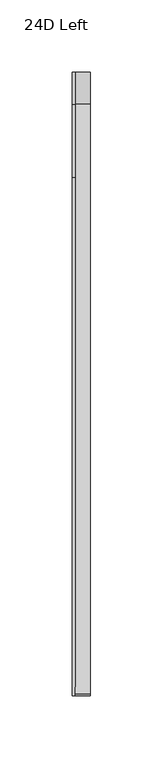
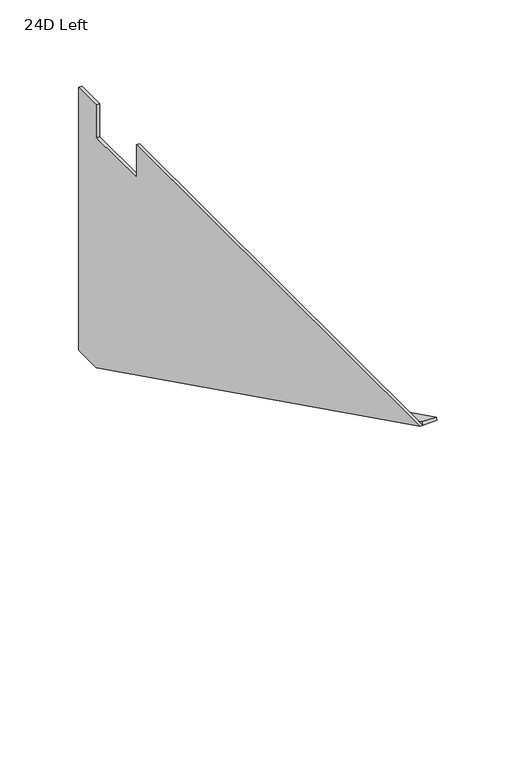
"""IFC4 building model written with IfcOpenShell, lengths in millimetres: furniture geometry, 24D Left."""

from ifc_helpers import new_model, si_unit, frame, origin, place, context, project, spatial, polyline, outline, extrude, source, transform, mapped, element, save


def furniture_24d_left_b5db5c6d(model_context):
    return source(origin(), model_context, "Body", "SweptSolid", [
        extrude(outline(polyline([(254.0, 734.1235), (254.0, 731.8375), (231.775, 731.8375), (-178.0807823, 935.0375), (-177.0653655, 937.0856027), (232.3105764, 734.1235), (254.0, 734.1235)])), frame((2.286, 0.0, 0.0), z_axis=(1.0, 0.0, 0.0), x_axis=(0.0, 1.0, 0.0)), (0.0, 0.0, 1.0), 10.414),
        extrude(outline(polyline([(254.0, 935.0375), (254.0, 731.8375), (231.775, 731.8375), (-178.0807823, 935.0375), (180.975, 935.0375), (180.975, 909.6375), (231.775, 909.6375), (231.775, 935.0375), (254.0, 935.0375)])), frame((0.0, 0.0, 0.0), z_axis=(1.0, 0.0, 0.0), x_axis=(0.0, 1.0, 0.0)), (0.0, 0.0, 1.0), 2.286),
    ])


if __name__ == "__main__":
    model = new_model("IFC4")
    model_context = context("Model", 3, world=origin())
    ifc_project = project(units=[si_unit("LENGTHUNIT", "METRE", prefix="MILLI")], contexts=[model_context])
    site = spatial("IfcSite", under=ifc_project)
    building = spatial("IfcBuilding", under=site)
    placement = place(None, origin())
    furniture_24d_left_shape = furniture_24d_left_b5db5c6d(model_context)
    element("IfcFurniture", 1, ObjectType="24D Left", at=placement, inside=building, context=model_context, shape_type="MappedRepresentation", body=[
        mapped(furniture_24d_left_shape, transform((0.0, 0.0, 0.0), x_axis=(1.0, 0.0, 0.0), y_axis=(0.0, 1.0, 0.0), z_axis=(0.0, 0.0, 1.0))),
    ])
    save(model, "model.ifc")
